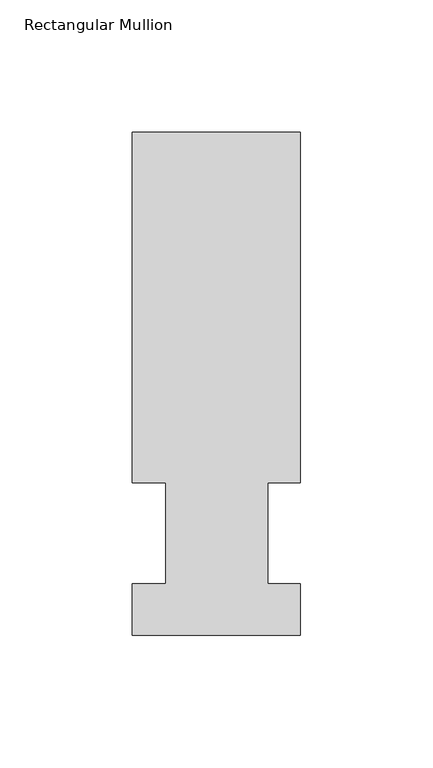
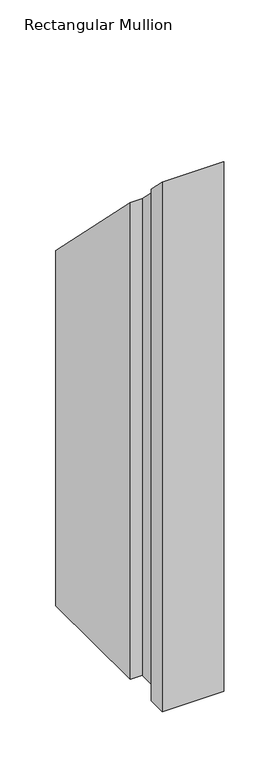
"""IFC4 building model written with IfcOpenShell, lengths in millimetres: member geometry, Rectangular Mullion."""

from ifc_helpers import new_model, si_unit, origin, place, context, project, spatial, faceted_brep, source, transform, mapped, element, save


def rectangular_mullion_f9b75009(model_context):
    return source(origin(), model_context, "Body", "Brep", [
        faceted_brep([(-63.5, 57.6460937, -577.85), (-63.5, 190.0816937, -577.85), (0.0, 190.0816937, -577.85), (0.0, 57.6460937, -577.85), (-12.3418395, 57.6460937, -577.85), (-12.3418395, 19.5460937, -577.85), (0.0, 19.5460937, -577.85), (0.0, 0.0134938, -577.85), (-63.5, 0.0134938, -577.85), (-63.5, 19.5460937, -577.85), (-50.8, 19.5460937, -577.85), (-50.8, 57.6460937, -577.85), (-50.8, 57.6460937, -57.6460937), (-63.5, 57.6460937, -57.6460937), (-50.8, 19.5460937, -19.5460937), (-63.5, 19.5460937, -19.5460937), (-63.5, 0.0134938, -0.0134938), (0.0, 0.0134938, -0.0134938), (0.0, 19.5460937, -19.5460937), (-12.3418395, 19.5460937, -19.5460937), (-12.3418395, 57.6460937, -57.6460937), (0.0, 57.6460937, -57.6460937), (0.0, 190.0816937, -190.0816937), (-63.5, 190.0816937, -190.0816937)], [[[0, 1, 2, 3, 4, 5, 6, 7, 8, 9, 10, 11]], [[12, 13, 0, 11]], [[14, 12, 11, 10]], [[15, 14, 10, 9]], [[16, 15, 9, 8]], [[17, 16, 8, 7]], [[18, 17, 7, 6]], [[19, 18, 6, 5]], [[20, 19, 5, 4]], [[21, 20, 4, 3]], [[22, 21, 3, 2]], [[23, 22, 2, 1]], [[13, 23, 1, 0]], [[13, 12, 14, 15, 16, 17, 18, 19, 20, 21, 22, 23]]]),
    ])


if __name__ == "__main__":
    model = new_model("IFC4")
    model_context = context("Model", 3, world=origin())
    ifc_project = project(units=[si_unit("LENGTHUNIT", "METRE", prefix="MILLI")], contexts=[model_context])
    site = spatial("IfcSite", under=ifc_project)
    building = spatial("IfcBuilding", under=site)
    placement = place(None, origin())
    rectangular_mullion_shape = rectangular_mullion_f9b75009(model_context)
    element("IfcMember", 1, ObjectType="Rectangular Mullion", at=placement, inside=building, context=model_context, shape_type="MappedRepresentation", body=[
        mapped(rectangular_mullion_shape, transform((0.0, 0.0, 0.0), x_axis=(1.0, 0.0, 0.0), y_axis=(0.0, 1.0, 0.0), z_axis=(0.0, 0.0, 1.0))),
    ])
    save(model, "model.ifc")
